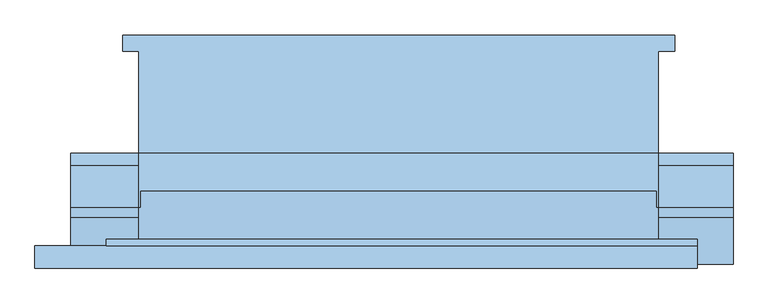
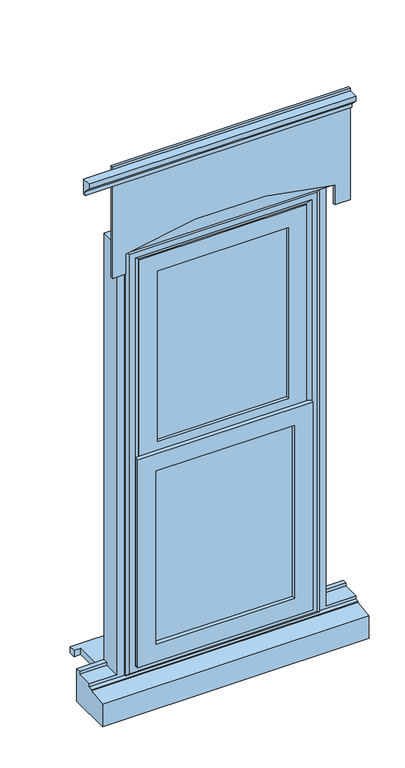
"""IFC4 building model written with IfcOpenShell, lengths in millimetres: window geometry."""

from ifc_helpers import new_model, si_unit, point, frame, frame_2d, origin, place, context, project, spatial, polyline, circle_curve, trimmed, segment, composite_curve, outline, extrude, faceted_brep, source, transform, mapped, element, save


def window_fbf497d6(model_context):
    return source(origin(), model_context, "Body", "SolidModel", [
        extrude(outline(polyline([(-425.0, 161.5434322), (425.0, 161.5434322), (425.0, 136.5434322), (400.0, 136.5434322), (400.0, -20.4565678), (-400.0, -20.4565678), (-400.0, 136.5434322), (-425.0, 136.5434322), (-425.0, 161.5434322)])), frame((0.0, 0.0, 310.0), z_axis=(0.0, 0.0, 1.0), x_axis=(1.0, 0.0, 0.0)), (0.0, 0.0, 1.0), 25.0),
        faceted_brep([(-400.0, -20.4565678, 2110.0), (400.0, -20.4565678, 2110.0), (400.0, -20.4565678, 385.0), (515.0, -20.4565678, 385.0), (515.0, -20.4565678, 253.0), (-505.0, -20.4565678, 253.0), (-505.0, -20.4565678, 385.0), (-400.0, -20.4565678, 385.0), (-340.0, -20.4565678, 2050.0), (-340.0, -20.4565678, 385.0), (340.0, -20.4565678, 385.0), (340.0, -20.4565678, 2050.0), (-400.0, -38.4565678, 385.0), (-400.0, -38.4565678, 373.0), (-400.0, -103.4565678, 373.0), (-400.0, -103.4565678, 2110.0), (-505.0, -103.4565678, 373.0), (-505.0, -103.4565678, 361.0), (515.0, -103.4565678, 361.0), (515.0, -103.4565678, 373.0), (400.0, -103.4565678, 373.0), (400.0, -103.4565678, 2110.0), (-360.0, -103.4565678, 2070.0), (360.0, -103.4565678, 2070.0), (360.0, -103.4565678, 373.0), (-360.0, -103.4565678, 373.0), (-360.0, -38.4565678, 373.0), (-360.0, -38.4565678, 2070.0), (360.0, -38.4565678, 373.0), (360.0, -38.4565678, 2070.0), (-340.0, -38.4565678, 2050.0), (340.0, -38.4565678, 2050.0), (340.0, -38.4565678, 385.0), (-340.0, -38.4565678, 385.0), (-505.0, -38.4565678, 373.0), (-505.0, -38.4565678, 385.0), (515.0, -38.4565678, 385.0), (400.0, -38.4565678, 385.0), (400.0, -38.4565678, 373.0), (515.0, -38.4565678, 373.0), (515.0, -118.4565678, 359.68767), (515.0, -118.4565678, 354.7449676), (515.0, -190.9565678, 343.8088847), (515.0, -190.9565678, 253.0), (-505.0, -190.9565678, 253.0), (-505.0, -190.9565678, 343.8088847), (-505.0, -118.4565678, 354.7449676), (-505.0, -118.4565678, 359.68767)], [[[0, 1, 2, 3, 4, 5, 6, 7], [8, 9, 10, 11]], [[0, 7, 12, 13, 14, 15]], [[14, 16, 17, 18, 19, 20, 21, 15], [22, 23, 24, 25]], [[25, 26, 27, 22]], [[27, 26, 28, 29], [30, 31, 32, 33]], [[34, 13, 12, 35]], [[36, 37, 38, 39]], [[30, 33, 9, 8]], [[0, 15, 21, 1]], [[22, 27, 29, 23]], [[11, 31, 30, 8]], [[20, 38, 37, 2, 1, 21]], [[23, 29, 28, 24]], [[11, 10, 32, 31]], [[3, 36, 39, 19, 18, 40, 41, 42, 43, 4]], [[6, 5, 44, 45, 46, 47, 17, 16, 34, 35]], [[43, 44, 5, 4]], [[42, 45, 44, 43]], [[41, 46, 45, 42]], [[40, 47, 46, 41]], [[18, 17, 47, 40]], [[16, 14, 13, 34]], [[26, 25, 24, 28]], [[39, 38, 20, 19]], [[3, 2, 37, 36]], [[35, 12, 7, 6]], [[9, 33, 32, 10]]]),
        extrude(outline(polyline([(330.0, -67.4565678), (330.0, -91.4565678), (-330.0, -91.4565678), (-330.0, -67.4565678), (330.0, -67.4565678)])), frame((0.0, 0.0, 403.0), z_axis=(0.0, 0.0, 1.0), x_axis=(1.0, 0.0, 0.0)), (0.0, 0.0, 1.0), 1637.0),
        faceted_brep([(-370.0, -103.4565678, 2080.0), (-370.0, -103.4565678, 363.0), (-370.0, -111.7300705, 363.0), (-370.0, -111.7300705, 2080.0), (-360.0, -38.4565678, 2070.0), (-360.0, -38.4565678, 373.0), (-360.0, -103.4565678, 373.0), (-360.0, -103.4565678, 2070.0), (-320.0, -52.9494677, 2030.0), (-320.0, -52.9494677, 413.0), (-330.1480377, -38.4565678, 402.8519623), (-330.1480377, -38.4565678, 2040.1480377), (-320.0, -67.4565678, 2030.0), (-320.0, -67.4565678, 413.0), (-330.0, -91.4565678, 2040.0), (-330.0, -91.4565678, 403.0), (-330.0, -67.4565678, 403.0), (-330.0, -67.4565678, 2040.0), (-320.0, -109.2300705, 2030.0), (-320.0, -109.2300705, 413.0), (-320.0, -91.4565678, 413.0), (-320.0, -91.4565678, 2030.0), (-337.4457548, -120.0035732, 2047.4457548), (-337.4457548, -120.0035732, 395.5542452), (-359.2153903, -120.0035732, 373.7846097), (-359.2153903, -120.0035732, 2069.2153903), (370.0, -103.4565678, 363.0), (370.0, -111.7300705, 363.0), (360.0, -38.4565678, 373.0), (360.0, -103.4565678, 373.0), (320.0, -52.9494677, 413.0), (330.1480377, -38.4565678, 402.8519623), (320.0, -67.4565678, 413.0), (330.0, -91.4565678, 403.0), (330.0, -67.4565678, 403.0), (320.0, -109.2300705, 413.0), (320.0, -91.4565678, 413.0), (337.4457548, -120.0035732, 395.5542452), (359.2153903, -120.0035732, 373.7846097), (370.0, -103.4565678, 2080.0), (370.0, -111.7300705, 2080.0), (360.0, -38.4565678, 2070.0), (360.0, -103.4565678, 2070.0), (320.0, -52.9494677, 2030.0), (330.1480377, -38.4565678, 2040.1480377), (320.0, -67.4565678, 2030.0), (330.0, -91.4565678, 2040.0), (330.0, -67.4565678, 2040.0), (320.0, -109.2300705, 2030.0), (320.0, -91.4565678, 2030.0), (337.4457548, -120.0035732, 2047.4457548), (359.2153903, -120.0035732, 2069.2153903)], [[[0, 1, 2, 3]], [[4, 5, 6, 7]], [[8, 9, 10, 11]], [[12, 13, 9, 8]], [[14, 15, 16, 17]], [[18, 19, 20, 21]], [[22, 23, 19, 18]], [[3, 2, 24, 25]], [[1, 26, 27, 2]], [[5, 28, 29, 6]], [[9, 30, 31, 10]], [[13, 32, 30, 9]], [[15, 33, 34, 16]], [[19, 35, 36, 20]], [[23, 37, 35, 19]], [[2, 27, 38, 24]], [[26, 39, 40, 27]], [[28, 41, 42, 29]], [[30, 43, 44, 31]], [[32, 45, 43, 30]], [[33, 46, 47, 34]], [[35, 48, 49, 36]], [[37, 50, 48, 35]], [[27, 40, 51, 38]], [[39, 0, 3, 40]], [[1, 0, 39, 26], [7, 6, 29, 42]], [[41, 4, 7, 42]], [[5, 4, 41, 28], [11, 10, 31, 44]], [[43, 8, 11, 44]], [[45, 12, 8, 43]], [[17, 16, 34, 47], [13, 12, 45, 32]], [[46, 14, 17, 47]], [[15, 14, 46, 33], [21, 20, 36, 49]], [[48, 18, 21, 49]], [[50, 22, 18, 48]], [[25, 24, 38, 51], [23, 22, 50, 37]], [[40, 3, 25, 51]]]),
        extrude(outline(polyline([(1236.5, -335.0), (395.800695, -335.0), (395.800695, 335.0), (1236.5, 335.0), (1236.5, -335.0)]), holes=[polyline([(465.800695, -265.0), (1166.5, -265.0), (1166.5, 265.0), (465.800695, 265.0), (465.800695, -265.0)])]), frame((0.0, -130.9565678, 0.0), z_axis=(0.0, 1.0, 0.0), x_axis=(0.0, 0.0, 1.0)), (0.0, 0.0, 1.0), 15.9529946),
        extrude(outline(polyline([(-163.1390049, 2410.0), (-173.1390049, 2410.0), (-173.1390049, 2425.0), (-197.8877422, 2449.7487373), (-197.8877422, 2470.0), (-163.1390049, 2470.0), (-163.1390049, 2410.0)])), frame((-560.0, 0.0, 0.0), z_axis=(1.0, 0.0, 0.0), x_axis=(0.0, 1.0, 0.0)), (0.0, 0.0, 1.0), 1020.0),
        extrude(outline(composite_curve([segment(polyline([(2110.0, -400.0), (2110.0, 400.0)]), True, "CONTINUOUS"), segment(trimmed(circle_curve(frame_2d((680.6732354, 0.0)), 1484.2422309), [point((2110.0, 400.0))], [point((2110.0, -400.0))], False, "CARTESIAN"), True, "CONTINUOUS")], self_intersect=False)), frame((0.0, -159.6629421, 0.0), z_axis=(0.0, 1.0, 0.0), x_axis=(0.0, 0.0, 1.0)), (0.0, 0.0, 1.0), 80.3363325),
        extrude(outline(composite_curve([segment(polyline([(2030.0, 460.0), (2480.0, 460.0), (2480.0, -450.0), (2030.0, -450.0), (2030.0, -400.0), (2110.0, -400.0)]), True, "CONTINUOUS"), segment(trimmed(circle_curve(frame_2d((680.6732354, 0.0)), 1484.2422309), [point((2110.0, -400.0))], [point((2110.0, 400.0))], True, "CARTESIAN"), True, "CONTINUOUS"), segment(polyline([(2110.0, 400.0), (2030.0, 400.0), (2030.0, 460.0)]), True, "CONTINUOUS")], self_intersect=False)), frame((0.0, -163.1390049, 0.0), z_axis=(0.0, 1.0, 0.0), x_axis=(0.0, 0.0, 1.0)), (0.0, 0.0, 1.0), 9.682437),
        extrude(outline(polyline([(2030.0, -320.0), (1201.5, -320.0), (1201.5, 320.0), (2030.0, 320.0), (2030.0, -320.0)]), holes=[polyline([(1270.7960231, -250.7039769), (1960.7039769, -250.7039769), (1960.7039769, 250.7039769), (1270.7960231, 250.7039769), (1270.7960231, -250.7039769)])]), frame((0.0, -115.0035732, 0.0), z_axis=(0.0, 1.0, 0.0), x_axis=(0.0, 0.0, 1.0)), (0.0, 0.0, 1.0), 11.5470054),
    ])


if __name__ == "__main__":
    model = new_model("IFC4")
    model_context = context("Model", 3, world=origin())
    ifc_project = project(units=[si_unit("LENGTHUNIT", "METRE", prefix="MILLI")], contexts=[model_context])
    site = spatial("IfcSite", under=ifc_project)
    building = spatial("IfcBuilding", under=site)
    placement = place(None, origin())
    window_shape = window_fbf497d6(model_context)
    element("IfcWindow", 1, at=placement, inside=building, context=model_context, shape_type="MappedRepresentation", body=[
        mapped(window_shape, transform((0.0, 0.0, 0.0), x_axis=(1.0, 0.0, 0.0), y_axis=(0.0, 1.0, 0.0), z_axis=(0.0, 0.0, 1.0))),
    ])
    save(model, "model.ifc")
